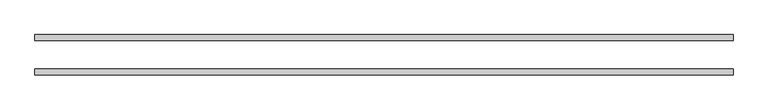
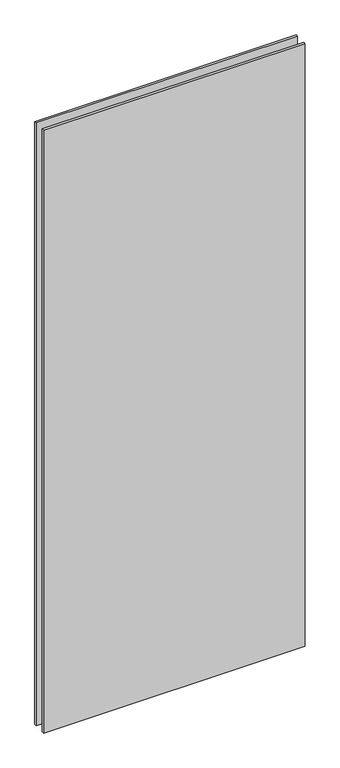
"""IFC4 building model written with IfcOpenShell, lengths in millimetres: plate geometry."""

from ifc_helpers import new_model, si_unit, origin, origin_with_axes, place, context, project, spatial, polyline, outline, extrude, source, transform, mapped, element, save


def plate_7e386205(model_context):
    return source(origin(), model_context, "Body", "SweptSolid", [
        extrude(outline(polyline([(745.2745536, 42.8355237), (745.2745536, 30.1355237), (-745.2745536, 30.1355237), (-745.2745536, 42.8355237), (745.2745536, 42.8355237)])), origin_with_axes(), (0.0, 0.0, 1.0), 3629.3723151),
        extrude(outline(polyline([(745.2745536, -42.8111299), (-745.2745536, -42.8111299), (-745.2745536, -30.1111299), (745.2745536, -30.1111299), (745.2745536, -42.8111299)])), origin_with_axes(), (0.0, 0.0, 1.0), 3629.3723151),
    ])


if __name__ == "__main__":
    model = new_model("IFC4")
    model_context = context("Model", 3, world=origin())
    ifc_project = project(units=[si_unit("LENGTHUNIT", "METRE", prefix="MILLI")], contexts=[model_context])
    site = spatial("IfcSite", under=ifc_project)
    building = spatial("IfcBuilding", under=site)
    placement = place(None, origin())
    plate_shape = plate_7e386205(model_context)
    element("IfcPlate", 1, at=placement, inside=building, context=model_context, shape_type="MappedRepresentation", body=[
        mapped(plate_shape, transform((0.0, 0.0, 0.0), x_axis=(1.0, 0.0, 0.0), y_axis=(0.0, 1.0, 0.0), z_axis=(0.0, 0.0, 1.0))),
    ])
    save(model, "model.ifc")
